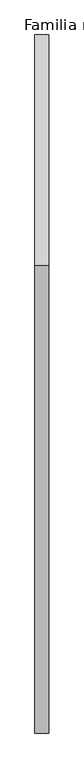
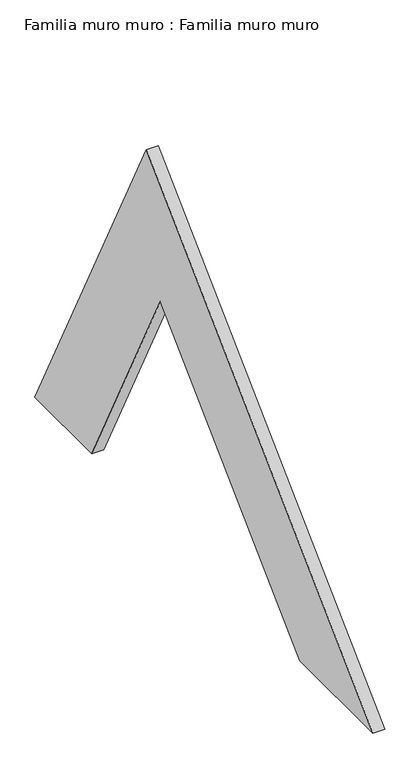
"""IFC4 building model written with IfcOpenShell, lengths in millimetres: plate geometry, Familia muro muro : Familia muro muro."""

from ifc_helpers import new_model, si_unit, frame, origin, place, context, project, spatial, polyline, outline, extrude, source, transform, mapped, element, save


def familia_muro_muro_familia_muro_muro_73e43edf(model_context):
    return source(origin(), model_context, "Body", "SweptSolid", [
        extrude(outline(polyline([(-329.7780324, 647.2258308), (0.0, 0.0), (-168.3489356, 0.0), (-371.3990688, 398.5083245), (-784.0665191, 0.0), (-1000.0, 0.0), (-329.7780324, 647.2258308)])), frame((0.0, 0.0, 0.0), z_axis=(1.0, 0.0, 0.0), x_axis=(0.0, 1.0, 0.0)), (0.0, 0.0, 1.0), 20.0),
    ])


if __name__ == "__main__":
    model = new_model("IFC4")
    model_context = context("Model", 3, world=origin())
    ifc_project = project(units=[si_unit("LENGTHUNIT", "METRE", prefix="MILLI")], contexts=[model_context])
    site = spatial("IfcSite", under=ifc_project)
    building = spatial("IfcBuilding", under=site)
    placement = place(None, origin())
    familia_muro_muro_familia_muro_muro_shape = familia_muro_muro_familia_muro_muro_73e43edf(model_context)
    element("IfcPlate", 1, ObjectType="Familia muro muro : Familia muro muro", at=placement, inside=building, context=model_context, shape_type="MappedRepresentation", body=[
        mapped(familia_muro_muro_familia_muro_muro_shape, transform((0.0, 0.0, 0.0), x_axis=(1.0, 0.0, 0.0), y_axis=(0.0, 1.0, 0.0), z_axis=(0.0, 0.0, 1.0))),
    ])
    save(model, "model.ifc")
